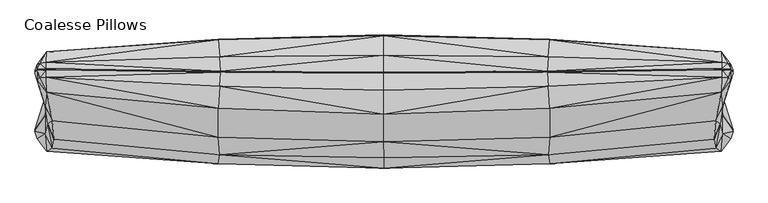
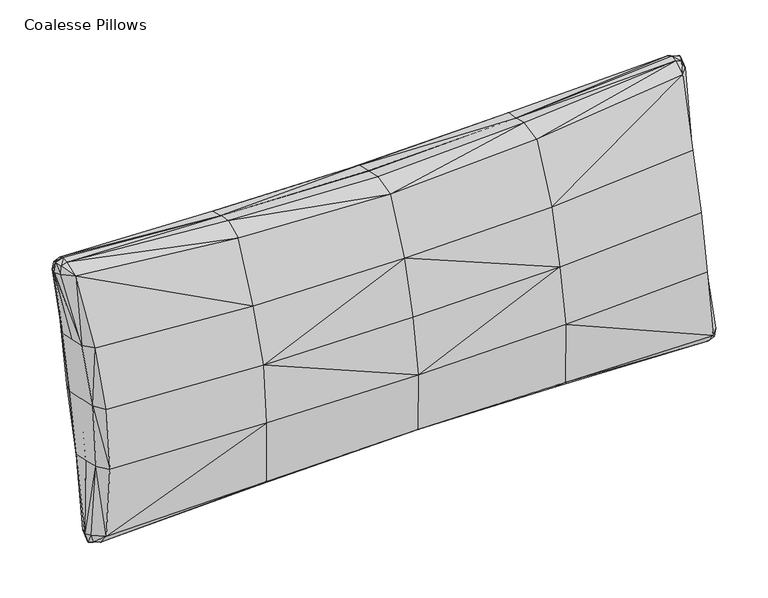
"""IFC4 building model written with IfcOpenShell, lengths in millimetres: furniture geometry, Coalesse Pillows."""

from ifc_helpers import new_model, si_unit, origin, place, context, project, spatial, triangles, source, transform, mapped, element, save


def coalesse_pillows_52e24aab(model_context):
    return source(origin(), model_context, "Body", "Tessellation", [
        triangles([(-315.9465217, -20.6253467, 443.2149161), (-315.9465217, -63.920358, 350.4573875), (-51.6989701, -56.9883774, 348.9054111), (-52.1611603, -10.9354426, 447.9091427), (-315.9464853, -89.7055528, 255.7040505), (-54.5628896, -84.9586678, 254.6738082), (212.4144509, -31.0220027, 346.9980783), (221.1416798, 14.579798, 457.3917034), (210.2189817, -60.4726851, 249.359198), (222.0463484, 38.4239083, 469.4511054), (-53.940998, 23.8196535, 458.5607818), (-315.9465217, 18.0214154, 452.5423991), (220.1141626, -35.8378152, 244.0123768), (223.6261939, -7.8186991, 341.6813244), (236.3982159, 33.9021208, 453.3356283), (232.8559902, 37.6137833, 465.3564425), (-55.4452258, 46.5090616, 453.5044044), (-315.9465217, 45.0243366, 446.6728809), (222.0597924, 50.1317511, 470.0569187), (236.287376, 49.3622668, 466.31674), (240.3162362, 46.104744, 451.4463178), (223.6976103, 20.9297567, 335.6606163), (220.1281697, -0.621101, 236.3686937), (-55.2820045, 46.9883701, 451.5203685), (-315.9465217, 45.5047579, 444.6850299), (221.957037, 50.6062043, 468.1886825), (235.1064706, 49.9121378, 464.9908399), (238.6095453, 46.9150597, 451.1822714), (221.860713, 21.835068, 335.6304946), (218.2847503, 0.2497151, 236.1796791), (-315.946558, 105.0750998, 415.9322428), (-52.161183, 98.2032264, 424.2211627), (-51.6990019, 99.0692436, 315.0338593), (-315.946558, 106.0207997, 313.572466), (-54.5629168, 85.4579923, 217.6856226), (-315.946558, 90.2047956, 216.6553621), (221.1416616, 78.914996, 443.4280209), (212.4144509, 74.6486412, 324.0626687), (210.2189454, 60.9721005, 223.0002146), (222.0463303, 62.2157291, 464.2871764), (-53.9410071, 70.9911065, 448.3224532), (-315.9465217, 73.7725637, 440.4418659), (220.1141626, 36.3372261, 228.3470903), (223.6261757, 51.3290662, 328.8435542), (236.3981977, 59.6497975, 447.7471976), (232.8559721, 61.2554634, 460.2251424), (-55.4452258, 48.2471005, 453.1272471), (-315.9465217, 46.7660635, 446.294888), (222.0597924, 51.8124761, 469.6920791), (236.287376, 50.9621964, 465.9694865), (240.3162362, 47.7619102, 451.086674), (223.6976103, 22.6713928, 335.2825871), (220.1281697, 1.1205322, 235.9906644), (-579.731874, -10.9355471, 447.9091427), (-580.1940551, -56.9884683, 348.9054111), (-577.3300947, -84.9587586, 254.6738082), (-853.034705, 14.5796095, 457.3917034), (-844.307476, -31.0221867, 346.9980783), (-842.1119705, -60.4728713, 249.359198), (-853.9393736, 38.4237221, 469.4511054), (-577.9520408, 23.8195626, 458.5607818), (-852.0071514, -35.8380014, 244.0123768), (-855.5191463, -7.8188882, 341.6813244), (-868.2911865, 33.9019255, 453.3356283), (-864.7489609, 37.6135903, 465.3564425), (-576.4478448, 46.5089707, 453.5044044), (-853.9528175, 50.1315558, 470.0569187), (-868.1804375, 49.362076, 466.31674), (-872.2092613, 46.1045487, 451.4463178), (-855.5906536, 20.9295705, 335.6606163), (-852.0212494, -0.6213127, 236.3687482), (-576.6110252, 46.9882792, 451.5202231), (-853.8501348, 50.6060181, 468.1886825), (-866.9994776, 49.9119425, 464.9908399), (-870.5026068, 46.9148689, 451.1822714), (-853.7537018, 21.8348795, 335.6304946), (-850.1777573, 0.2495041, 236.1796791), (-580.1940551, 99.0691528, 315.0338593), (-579.731874, 98.2031264, 424.2211627), (-577.3300947, 85.4578742, 217.6856226), (-844.307476, 74.648455, 324.0626687), (-853.034705, 78.9148143, 443.4280209), (-842.1119705, 60.9719142, 223.0002146), (-853.9393736, 62.2155429, 464.2871764), (-577.9520408, 70.9910111, 448.3224532), (-852.0071514, 36.3370398, 228.3470903), (-855.5191463, 51.32888, 328.8435542), (-868.2911865, 59.6496067, 447.7471976), (-864.7489609, 61.2552681, 460.2251424), (-576.4478448, 48.2470096, 453.1272471), (-853.9528175, 51.8122898, 469.6920791), (-868.1804375, 50.9620011, 465.9694865), (-872.2092613, 47.7617149, 451.086674), (-855.5906536, 22.6712043, 335.2825871), (-852.0212494, 1.1203203, 235.9907371), (-315.9464853, -105.0755994, 54.1247259), (-52.1611466, -98.203617, 45.8357742), (-51.6989655, -99.0693163, 155.0246036), (-315.9464853, -106.0209541, 156.485997), (221.141698, -78.9152867, 26.6288683), (212.4144691, -74.6486094, 145.9957488), (222.0463666, -62.2160062, 5.769719), (-53.9409844, -70.9915107, 21.7344632), (-315.9465217, -73.773036, 29.6150324), (223.626212, -51.3290254, 141.2148633), (236.398234, -59.6500881, 22.3097097), (232.8560084, -61.2557587, 9.8317752), (-55.4452076, -48.2475138, 16.9296466), (-315.9465217, -46.7665677, 23.7620398), (222.0598287, -51.8127849, 0.3647714), (236.2873941, -50.9624871, 4.0874989), (240.3162725, -47.7622236, 18.9702731), (223.6976103, -22.6713723, 134.7759032), (-315.9465217, -45.5052711, 25.3718411), (-55.2819908, -46.9887834, 18.53659), (221.9570734, -50.6065177, 1.8682093), (235.1065069, -49.9124467, 5.0660283), (238.6095816, -46.9153731, 18.8746076), (221.860713, -21.8350498, 134.427932), (-315.9465217, 20.6248426, 26.8420026), (-315.9465217, 63.9201763, 119.6010572), (-51.6989928, 56.9882911, 121.1530337), (-52.1611693, 10.9350145, 22.147717), (212.4144509, 31.0220186, 123.0604391), (221.1416798, -14.580117, 12.6652391), (222.0463484, -38.424199, 0.6058448), (-53.9409935, -23.8200736, 11.4960927), (-315.9465217, -18.0219241, 17.514523), (223.6261939, 7.8187258, 128.3771113), (236.3982159, -33.9024296, 16.7213029), (232.8559902, -37.614099, 4.7004753), (-55.4452076, -46.5094749, 16.552411), (-315.9465217, -45.0248362, 23.3839674), (222.0598287, -50.1320599, -8.8e-06), (236.2873941, -49.3625575, 3.7402426), (240.3162725, -46.1050573, 18.6106191), (223.6976103, -20.9297386, 134.3978376), (-580.1940551, -99.0694162, 155.0246036), (-579.731874, -98.2037169, 45.8357742), (-844.307476, -74.6487956, 145.9957488), (-853.034705, -78.9154865, 26.6289274), (-853.9393736, -62.2161924, 5.769719), (-577.9520408, -70.9916061, 21.7344632), (-855.5191463, -51.3292116, 141.2148633), (-868.2911865, -59.6502834, 22.3097097), (-864.7489609, -61.2559494, 9.8317752), (-576.4478448, -48.2475955, 16.9297068), (-853.9528175, -51.8129484, 0.3648906), (-868.1804375, -50.9626778, 4.0874989), (-872.2092613, -47.7624144, 18.9702731), (-855.5906536, -22.6715608, 134.7759032), (-576.6110252, -46.9888697, 18.53659), (-853.8501348, -50.6067039, 1.8682093), (-866.9994776, -49.9126374, 5.0660283), (-870.5026068, -46.9155638, 18.8746076), (-853.7537018, -21.8352383, 134.427932), (-579.731874, 10.9349226, 22.147717), (-580.1940551, 56.9882003, 121.1530337), (-853.034705, -14.5803044, 12.6652391), (-844.307476, 31.0218324, 123.0604391), (-853.9393736, -38.4243852, 0.6058448), (-577.9520408, -23.8201644, 11.4960927), (-855.5191463, 7.8185368, 128.3771113), (-868.2911865, -33.9026227, 16.7213029), (-864.7489609, -37.6142943, 4.7004753), (-576.4478448, -46.5095657, 16.552411), (-853.9528175, -50.1322461, -8.8e-06), (-868.1804375, -49.3627528, 3.7402426), (-872.2092613, -46.1052526, 18.6106191), (-855.5906536, -20.929927, 134.3978376)], [[1, 2, 3], [1, 3, 4], [2, 5, 6], [2, 6, 3], [3, 7, 8], [3, 8, 4], [6, 9, 7], [6, 7, 3], [10, 11, 4], [10, 4, 8], [1, 4, 11], [1, 11, 12], [13, 14, 7], [13, 7, 9], [8, 7, 14], [8, 14, 15], [16, 10, 8], [16, 8, 15], [17, 18, 12], [17, 12, 11], [17, 11, 10], [17, 10, 19], [19, 10, 16], [19, 16, 20], [20, 16, 15], [20, 15, 21], [21, 15, 14], [21, 14, 22], [22, 14, 13], [22, 13, 23], [17, 24, 25], [17, 25, 18], [24, 17, 19], [24, 19, 26], [26, 19, 20], [26, 20, 27], [27, 20, 21], [27, 21, 28], [28, 21, 22], [28, 22, 29], [29, 22, 23], [29, 23, 30], [31, 32, 33], [31, 33, 34], [34, 33, 35], [34, 35, 36], [33, 32, 37], [33, 37, 38], [35, 33, 38], [35, 38, 39], [40, 37, 32], [40, 32, 41], [31, 42, 41], [31, 41, 32], [43, 39, 38], [43, 38, 44], [37, 45, 44], [37, 44, 38], [46, 45, 37], [46, 37, 40], [47, 41, 42], [47, 42, 48], [47, 49, 40], [47, 40, 41], [49, 50, 46], [49, 46, 40], [50, 51, 45], [50, 45, 46], [51, 52, 44], [51, 44, 45], [52, 53, 43], [52, 43, 44], [47, 48, 25], [47, 25, 24], [24, 26, 49], [24, 49, 47], [26, 27, 50], [26, 50, 49], [27, 28, 51], [27, 51, 50], [28, 29, 52], [28, 52, 51], [29, 30, 53], [29, 53, 52], [1, 54, 55], [1, 55, 2], [2, 55, 56], [2, 56, 5], [55, 54, 57], [55, 57, 58], [56, 55, 58], [56, 58, 59], [60, 57, 54], [60, 54, 61], [1, 12, 61], [1, 61, 54], [62, 59, 58], [62, 58, 63], [57, 64, 63], [57, 63, 58], [65, 64, 57], [65, 57, 60], [66, 61, 12], [66, 12, 18], [66, 67, 60], [66, 60, 61], [67, 68, 65], [67, 65, 60], [68, 69, 64], [68, 64, 65], [69, 70, 63], [69, 63, 64], [70, 71, 62], [70, 62, 63], [66, 18, 25], [66, 25, 72], [72, 73, 67], [72, 67, 66], [73, 74, 68], [73, 68, 67], [74, 75, 69], [74, 69, 68], [75, 76, 70], [75, 70, 69], [76, 77, 71], [76, 71, 70], [31, 34, 78], [31, 78, 79], [34, 36, 80], [34, 80, 78], [78, 81, 82], [78, 82, 79], [80, 83, 81], [80, 81, 78], [84, 85, 79], [84, 79, 82], [31, 79, 85], [31, 85, 42], [86, 87, 81], [86, 81, 83], [82, 81, 87], [82, 87, 88], [89, 84, 82], [89, 82, 88], [90, 48, 42], [90, 42, 85], [90, 85, 84], [90, 84, 91], [91, 84, 89], [91, 89, 92], [92, 89, 88], [92, 88, 93], [93, 88, 87], [93, 87, 94], [94, 87, 86], [94, 86, 95], [90, 72, 25], [90, 25, 48], [72, 90, 91], [72, 91, 73], [73, 91, 92], [73, 92, 74], [74, 92, 93], [74, 93, 75], [75, 93, 94], [75, 94, 76], [76, 94, 95], [76, 95, 77], [96, 97, 98], [96, 98, 99], [99, 98, 6], [99, 6, 5], [98, 97, 100], [98, 100, 101], [6, 98, 101], [6, 101, 9], [102, 100, 97], [102, 97, 103], [96, 104, 103], [96, 103, 97], [13, 9, 101], [13, 101, 105], [100, 106, 105], [100, 105, 101], [107, 106, 100], [107, 100, 102], [108, 103, 104], [108, 104, 109], [108, 110, 102], [108, 102, 103], [110, 111, 107], [110, 107, 102], [111, 112, 106], [111, 106, 107], [112, 113, 105], [112, 105, 106], [113, 23, 13], [113, 13, 105], [108, 109, 114], [108, 114, 115], [115, 116, 110], [115, 110, 108], [116, 117, 111], [116, 111, 110], [117, 118, 112], [117, 112, 111], [118, 119, 113], [118, 113, 112], [119, 30, 23], [119, 23, 113], [120, 121, 122], [120, 122, 123], [121, 36, 35], [121, 35, 122], [122, 124, 125], [122, 125, 123], [35, 39, 124], [35, 124, 122], [126, 127, 123], [126, 123, 125], [120, 123, 127], [120, 127, 128], [43, 129, 124], [43, 124, 39], [125, 124, 129], [125, 129, 130], [131, 126, 125], [131, 125, 130], [132, 133, 128], [132, 128, 127], [132, 127, 126], [132, 126, 134], [134, 126, 131], [134, 131, 135], [135, 131, 130], [135, 130, 136], [136, 130, 129], [136, 129, 137], [137, 129, 43], [137, 43, 53], [132, 115, 114], [132, 114, 133], [115, 132, 134], [115, 134, 116], [116, 134, 135], [116, 135, 117], [117, 135, 136], [117, 136, 118], [118, 136, 137], [118, 137, 119], [119, 137, 53], [119, 53, 30], [96, 99, 138], [96, 138, 139], [99, 5, 56], [99, 56, 138], [138, 140, 141], [138, 141, 139], [56, 59, 140], [56, 140, 138], [142, 143, 139], [142, 139, 141], [96, 139, 143], [96, 143, 104], [62, 144, 140], [62, 140, 59], [141, 140, 144], [141, 144, 145], [146, 142, 141], [146, 141, 145], [147, 109, 104], [147, 104, 143], [147, 143, 142], [147, 142, 148], [148, 142, 146], [148, 146, 149], [149, 146, 145], [149, 145, 150], [150, 145, 144], [150, 144, 151], [151, 144, 62], [151, 62, 71], [147, 152, 114], [147, 114, 109], [152, 147, 148], [152, 148, 153], [153, 148, 149], [153, 149, 154], [154, 149, 150], [154, 150, 155], [155, 150, 151], [155, 151, 156], [156, 151, 71], [156, 71, 77], [120, 157, 158], [120, 158, 121], [121, 158, 80], [121, 80, 36], [158, 157, 159], [158, 159, 160], [80, 158, 160], [80, 160, 83], [161, 159, 157], [161, 157, 162], [120, 128, 162], [120, 162, 157], [86, 83, 160], [86, 160, 163], [159, 164, 163], [159, 163, 160], [165, 164, 159], [165, 159, 161], [166, 162, 128], [166, 128, 133], [166, 167, 161], [166, 161, 162], [167, 168, 165], [167, 165, 161], [168, 169, 164], [168, 164, 165], [169, 170, 163], [169, 163, 164], [170, 95, 86], [170, 86, 163], [166, 133, 114], [166, 114, 152], [152, 153, 167], [152, 167, 166], [153, 154, 168], [153, 168, 167], [154, 155, 169], [154, 169, 168], [155, 156, 170], [155, 170, 169], [156, 77, 95], [156, 95, 170]]),
    ])


if __name__ == "__main__":
    model = new_model("IFC4")
    model_context = context("Model", 3, world=origin())
    ifc_project = project(units=[si_unit("LENGTHUNIT", "METRE", prefix="MILLI")], contexts=[model_context])
    site = spatial("IfcSite", under=ifc_project)
    building = spatial("IfcBuilding", under=site)
    placement = place(None, origin())
    coalesse_pillows_shape = coalesse_pillows_52e24aab(model_context)
    element("IfcFurniture", 1, ObjectType="Coalesse Pillows", at=placement, inside=building, context=model_context, shape_type="MappedRepresentation", body=[
        mapped(coalesse_pillows_shape, transform((0.0, 0.0, 0.0), x_axis=(1.0, 0.0, 0.0), y_axis=(0.0, 1.0, 0.0), z_axis=(0.0, 0.0, 1.0))),
    ])
    save(model, "model.ifc")
